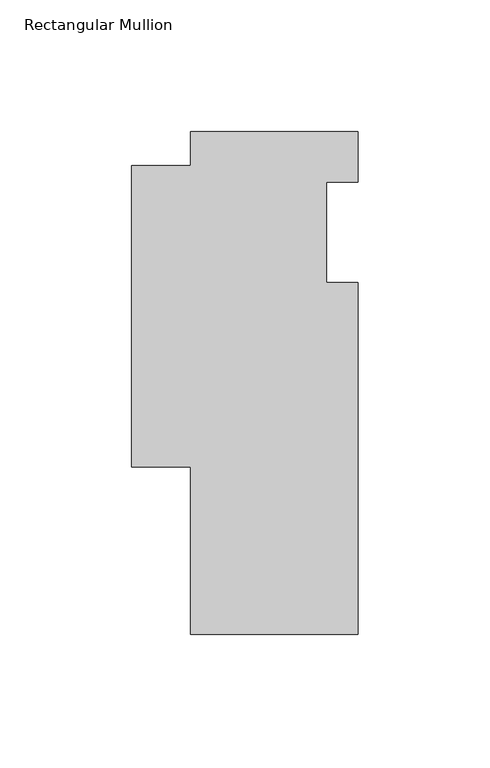
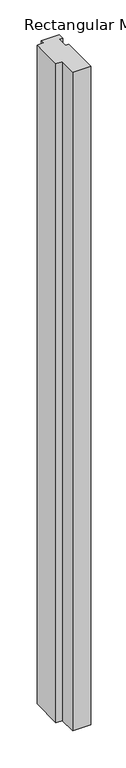
"""IFC4 building model written with IfcOpenShell, lengths in millimetres: member geometry, Rectangular Mullion."""

import ifcopenshell
import ifcopenshell.guid

model = None  # the IFC model being written
_history = None  # IfcOwnerHistory: only IFC2X3 demands one
_inside = {}  # id of a spatial element -> (the spatial element, [elements in it])
_under = {}  # id of a project, library or spatial element -> (it, [spatial elements below it])
_declared = {}  # id of a project -> (the project, [libraries it declares])
_typed = {}  # id of a type object -> (the type object, [elements of that type])
_made_of = {}  # id of a material, layer set ... -> (it, [elements and type objects made of it])


def new_model(schema):
    """Start an empty IFC model of exactly this schema.

    Asked for "IFC4X3", IfcOpenShell would pick the latest addendum, in which some entities
    have other attributes; the version numbers below select the first issue.
    IFC2X3 requires an IfcOwnerHistory on every rooted entity: one is made here for all.
    """
    global model, _history
    if schema == "IFC4X3":
        model = ifcopenshell.file(schema_version=(4, 3, 0, 0))
    else:
        model = ifcopenshell.file(schema=schema)
    _inside.clear()
    _under.clear()
    _declared.clear()
    _typed.clear()
    _made_of.clear()
    _history = None
    if model.schema == "IFC2X3":
        org = make("IfcOrganization", Name="unknown")
        user = make(
            "IfcPersonAndOrganization",
            ThePerson=make("IfcPerson", FamilyName="unknown"),
            TheOrganization=org,
        )
        app = make(
            "IfcApplication",
            ApplicationDeveloper=org,
            Version="unknown",
            ApplicationFullName="unknown",
            ApplicationIdentifier="unknown",
        )
        _history = make(
            "IfcOwnerHistory",
            OwningUser=user,
            OwningApplication=app,
            ChangeAction="ADDED",
            CreationDate=0,
        )
    return model


def make(cls, **values):
    """One entity of the class cls with the attributes given. An attribute that is None is left unset."""
    return model.create_entity(
        cls, **{name: value for name, value in values.items() if value is not None}
    )


def rooted(cls, **values):
    """An entity with a GlobalId (a new one), such as an element, a storey or a relation."""
    return make(cls, GlobalId=ifcopenshell.guid.new(), OwnerHistory=_history, **values)


def si_unit(unit_type, name, prefix=None):
    """IfcSIUnit, for example si_unit("LENGTHUNIT", "METRE", prefix="MILLI")."""
    return make("IfcSIUnit", UnitType=unit_type, Prefix=prefix, Name=name)


def assignment(units):
    """IfcUnitAssignment: the units of a project."""
    return None if units is None else make("IfcUnitAssignment", Units=units)


def point(xyz):
    """IfcCartesianPoint."""
    return None if xyz is None else make("IfcCartesianPoint", Coordinates=xyz)


def direction(xyz):
    """IfcDirection."""
    return None if xyz is None else make("IfcDirection", DirectionRatios=xyz)


def frame(location, z_axis=None, x_axis=None):
    """IfcAxis2Placement3D, a coordinate frame: its origin and axes. An axis left out is left unset."""
    return make(
        "IfcAxis2Placement3D",
        Location=point(location),
        Axis=direction(z_axis),
        RefDirection=direction(x_axis),
    )


def origin():
    """The frame at (0, 0, 0) with its axes left unset."""
    return frame((0.0, 0.0, 0.0))


def place(relative_to, where):
    """IfcLocalPlacement: puts the frame where relative to a parent placement (None: the world)."""
    return make(
        "IfcLocalPlacement", PlacementRelTo=relative_to, RelativePlacement=where
    )


def context(
    kind, dimensions, precision=None, world=None, true_north=None, identifier=None
):
    """IfcGeometricRepresentationContext, for example the 3D "Model" context."""
    return make(
        "IfcGeometricRepresentationContext",
        ContextIdentifier=identifier,
        ContextType=kind,
        CoordinateSpaceDimension=dimensions,
        Precision=precision,
        WorldCoordinateSystem=world,
        TrueNorth=true_north,
    )


def project(units=None, contexts=None):
    """IfcProject with its units and contexts."""
    return rooted(
        "IfcProject",
        Name="project",
        RepresentationContexts=contexts,
        UnitsInContext=assignment(units),
    )


def spatial(cls, under=None, at=None, **own):
    """A site, building, storey or space (cls), placed at a placement, below another one or the project."""
    s = rooted(cls, ObjectPlacement=at, **own)
    if under is not None:
        _under.setdefault(under.id(), (under, []))[1].append(s)
    return s


def polyline(points):
    """IfcPolyline through the points."""
    return make("IfcPolyline", Points=[point(p) for p in points])


def outline(outer, holes=None, kind="AREA"):
    """IfcArbitraryClosedProfileDef: a profile drawn as a closed curve; with holes, ...WithVoids."""
    if holes is None:
        return make("IfcArbitraryClosedProfileDef", ProfileType=kind, OuterCurve=outer)
    return make(
        "IfcArbitraryProfileDefWithVoids",
        ProfileType=kind,
        OuterCurve=outer,
        InnerCurves=holes,
    )


def extrude(swept, where, along, depth):
    """IfcExtrudedAreaSolid: the profile swept, set in the frame where, extruded along a direction by depth."""
    return make(
        "IfcExtrudedAreaSolid",
        SweptArea=swept,
        Position=where,
        ExtrudedDirection=direction(along),
        Depth=depth,
    )


def shape(context_of_items, identifier, shape_type, items):
    """IfcShapeRepresentation: the items that make up one representation, for example the "Body"."""
    return make(
        "IfcShapeRepresentation",
        ContextOfItems=context_of_items,
        RepresentationIdentifier=identifier,
        RepresentationType=shape_type,
        Items=items,
    )


def source(mapping_origin, context_of_items, identifier, shape_type, items):
    """IfcRepresentationMap: a shape defined once, which mapped items show again and again."""
    return make(
        "IfcRepresentationMap",
        MappingOrigin=mapping_origin,
        MappedRepresentation=shape(context_of_items, identifier, shape_type, items),
    )


def transform(
    local_origin,
    x_axis=None,
    y_axis=None,
    z_axis=None,
    scale=None,
    scale2=None,
    scale3=None,
    uniform=True,
):
    """IfcCartesianTransformationOperator3D, or its non-uniform kind. x_axis, y_axis, z_axis: its Axis1, 2, 3."""
    if uniform:
        return make(
            "IfcCartesianTransformationOperator3D",
            Axis1=direction(x_axis),
            Axis2=direction(y_axis),
            LocalOrigin=point(local_origin),
            Scale=scale,
            Axis3=direction(z_axis),
        )
    return make(
        "IfcCartesianTransformationOperator3DnonUniform",
        Axis1=direction(x_axis),
        Axis2=direction(y_axis),
        LocalOrigin=point(local_origin),
        Scale=scale,
        Axis3=direction(z_axis),
        Scale2=scale2,
        Scale3=scale3,
    )


def mapped(mapping_source, mapping_target):
    """IfcMappedItem: shows the shape of a source again, moved by a transform."""
    return make(
        "IfcMappedItem", MappingSource=mapping_source, MappingTarget=mapping_target
    )


def made_of(thing, what):
    """Note that an element or type object is made of a material, layer set ...; save() writes the relation."""
    if what is not None:
        _made_of.setdefault(what.id(), (what, []))[1].append(thing)
    return thing


def element(
    cls,
    number,
    at=None,
    inside=None,
    cuts=None,
    type_object=None,
    material=None,
    context=None,
    identifier="Body",
    shape_type=None,
    held_by="IfcProductDefinitionShape",
    body=None,
    shapes=None,
    **own,
):
    """One element of the class cls, such as IfcWall. Its Tag is "e" and its number.

    at: its placement. inside: the storey or other place that contains it. cuts: it is an
    opening in that element (IfcRelVoidsElement). A single representation is given by context,
    identifier, shape_type and body (its items); several are given by shapes. held_by: the class
    of the entity that holds the representations. save() writes the other relations.
    """
    e = rooted(cls, Tag="e%d" % number, ObjectPlacement=at, **own)
    if body is not None:
        shapes = [shape(context, identifier, shape_type, body)]
    if shapes is not None:
        e.Representation = make(held_by, Representations=shapes)
    if inside is not None:
        _inside.setdefault(inside.id(), (inside, []))[1].append(e)
    if cuts is not None:
        rooted(
            "IfcRelVoidsElement", RelatingBuildingElement=cuts, RelatedOpeningElement=e
        )
    if type_object is not None:
        _typed.setdefault(type_object.id(), (type_object, []))[1].append(e)
    return made_of(e, material)


def aggregate(whole, parts):
    """IfcRelAggregates: a whole, such as a stair, and the parts it consists of."""
    return rooted("IfcRelAggregates", RelatingObject=whole, RelatedObjects=parts)


def save(model, path):
    """Write the relations noted so far, then the file.

    IfcRelAggregates (storeys below a building ...), IfcRelContainedInSpatialStructure (elements
    in a storey), IfcRelDefinesByType, IfcRelAssociatesMaterial and IfcRelDeclares: one each for
    every whole, place, type object, material and project.
    """
    for whole, parts in _under.values():
        aggregate(whole, parts)
    for where, things in _inside.values():
        rooted(
            "IfcRelContainedInSpatialStructure",
            RelatedElements=things,
            RelatingStructure=where,
        )
    for kind, things in _typed.values():
        rooted("IfcRelDefinesByType", RelatedObjects=things, RelatingType=kind)
    for what, things in _made_of.values():
        rooted("IfcRelAssociatesMaterial", RelatedObjects=things, RelatingMaterial=what)
    for by, libraries in _declared.values():
        rooted("IfcRelDeclares", RelatingContext=by, RelatedDefinitions=libraries)
    model.write(path)


def rectangular_mullion_6924585b(model_context):
    return source(origin(), model_context, "Body", "SweptSolid", [
        extrude(outline(polyline([(31.75, -152.4), (-31.75, -152.4), (-31.75, -88.9), (-53.975, -88.9), (-53.975, 25.4), (-31.75, 25.4), (-31.75, 38.1), (31.75, 38.1), (31.75, 19.0504842), (19.8374, 19.0504842), (19.8374, -19.05), (31.75, -19.05), (31.75, -152.4)])), frame((0.0, 0.0, -2438.4), z_axis=(0.0, 0.0, 1.0), x_axis=(1.0, 0.0, 0.0)), (0.0, 0.0, 1.0), 2438.4),
    ])


if __name__ == "__main__":
    model = new_model("IFC4")
    model_context = context("Model", 3, world=origin())
    ifc_project = project(units=[si_unit("LENGTHUNIT", "METRE", prefix="MILLI")], contexts=[model_context])
    site = spatial("IfcSite", under=ifc_project)
    building = spatial("IfcBuilding", under=site)
    placement = place(None, origin())
    rectangular_mullion_shape = rectangular_mullion_6924585b(model_context)
    element("IfcMember", 1, ObjectType="Rectangular Mullion", at=placement, inside=building, context=model_context, shape_type="MappedRepresentation", body=[
        mapped(rectangular_mullion_shape, transform((0.0, 0.0, 0.0), x_axis=(1.0, 0.0, 0.0), y_axis=(0.0, 1.0, 0.0), z_axis=(0.0, 0.0, 1.0))),
    ])
    save(model, "model.ifc")
